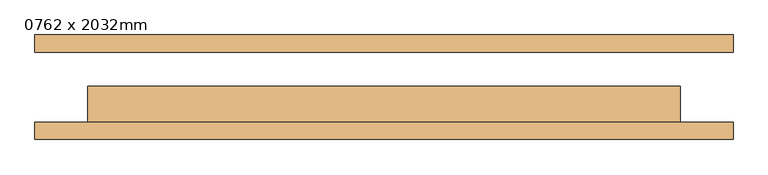
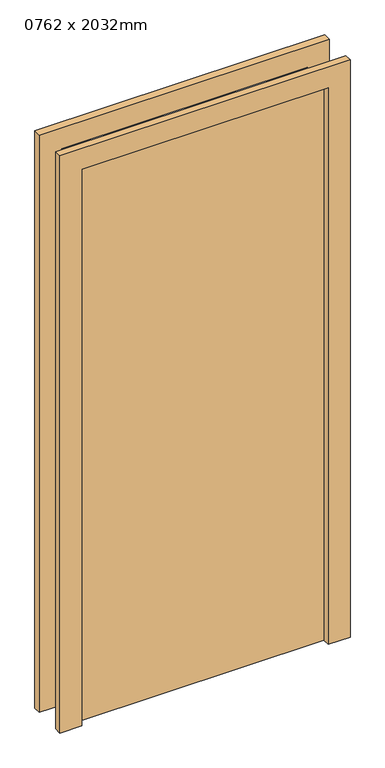
"""IFC4 building model written with IfcOpenShell, lengths in millimetres: door geometry, 0762 x 2032mm."""

import ifcopenshell
import ifcopenshell.guid

model = None  # the IFC model being written
_history = None  # IfcOwnerHistory: only IFC2X3 demands one
_inside = {}  # id of a spatial element -> (the spatial element, [elements in it])
_under = {}  # id of a project, library or spatial element -> (it, [spatial elements below it])
_declared = {}  # id of a project -> (the project, [libraries it declares])
_typed = {}  # id of a type object -> (the type object, [elements of that type])
_made_of = {}  # id of a material, layer set ... -> (it, [elements and type objects made of it])


def new_model(schema):
    """Start an empty IFC model of exactly this schema.

    Asked for "IFC4X3", IfcOpenShell would pick the latest addendum, in which some entities
    have other attributes; the version numbers below select the first issue.
    IFC2X3 requires an IfcOwnerHistory on every rooted entity: one is made here for all.
    """
    global model, _history
    if schema == "IFC4X3":
        model = ifcopenshell.file(schema_version=(4, 3, 0, 0))
    else:
        model = ifcopenshell.file(schema=schema)
    _inside.clear()
    _under.clear()
    _declared.clear()
    _typed.clear()
    _made_of.clear()
    _history = None
    if model.schema == "IFC2X3":
        org = make("IfcOrganization", Name="unknown")
        user = make(
            "IfcPersonAndOrganization",
            ThePerson=make("IfcPerson", FamilyName="unknown"),
            TheOrganization=org,
        )
        app = make(
            "IfcApplication",
            ApplicationDeveloper=org,
            Version="unknown",
            ApplicationFullName="unknown",
            ApplicationIdentifier="unknown",
        )
        _history = make(
            "IfcOwnerHistory",
            OwningUser=user,
            OwningApplication=app,
            ChangeAction="ADDED",
            CreationDate=0,
        )
    return model


def make(cls, **values):
    """One entity of the class cls with the attributes given. An attribute that is None is left unset."""
    return model.create_entity(
        cls, **{name: value for name, value in values.items() if value is not None}
    )


def rooted(cls, **values):
    """An entity with a GlobalId (a new one), such as an element, a storey or a relation."""
    return make(cls, GlobalId=ifcopenshell.guid.new(), OwnerHistory=_history, **values)


def si_unit(unit_type, name, prefix=None):
    """IfcSIUnit, for example si_unit("LENGTHUNIT", "METRE", prefix="MILLI")."""
    return make("IfcSIUnit", UnitType=unit_type, Prefix=prefix, Name=name)


def assignment(units):
    """IfcUnitAssignment: the units of a project."""
    return None if units is None else make("IfcUnitAssignment", Units=units)


def point(xyz):
    """IfcCartesianPoint."""
    return None if xyz is None else make("IfcCartesianPoint", Coordinates=xyz)


def direction(xyz):
    """IfcDirection."""
    return None if xyz is None else make("IfcDirection", DirectionRatios=xyz)


def frame(location, z_axis=None, x_axis=None):
    """IfcAxis2Placement3D, a coordinate frame: its origin and axes. An axis left out is left unset."""
    return make(
        "IfcAxis2Placement3D",
        Location=point(location),
        Axis=direction(z_axis),
        RefDirection=direction(x_axis),
    )


def origin():
    """The frame at (0, 0, 0) with its axes left unset."""
    return frame((0.0, 0.0, 0.0))


def origin_with_axes():
    """The frame at (0, 0, 0) with the z axis (0, 0, 1) and the x axis (1, 0, 0) written out."""
    return frame((0.0, 0.0, 0.0), z_axis=(0.0, 0.0, 1.0), x_axis=(1.0, 0.0, 0.0))


def place(relative_to, where):
    """IfcLocalPlacement: puts the frame where relative to a parent placement (None: the world)."""
    return make(
        "IfcLocalPlacement", PlacementRelTo=relative_to, RelativePlacement=where
    )


def context(
    kind, dimensions, precision=None, world=None, true_north=None, identifier=None
):
    """IfcGeometricRepresentationContext, for example the 3D "Model" context."""
    return make(
        "IfcGeometricRepresentationContext",
        ContextIdentifier=identifier,
        ContextType=kind,
        CoordinateSpaceDimension=dimensions,
        Precision=precision,
        WorldCoordinateSystem=world,
        TrueNorth=true_north,
    )


def project(units=None, contexts=None):
    """IfcProject with its units and contexts."""
    return rooted(
        "IfcProject",
        Name="project",
        RepresentationContexts=contexts,
        UnitsInContext=assignment(units),
    )


def spatial(cls, under=None, at=None, **own):
    """A site, building, storey or space (cls), placed at a placement, below another one or the project."""
    s = rooted(cls, ObjectPlacement=at, **own)
    if under is not None:
        _under.setdefault(under.id(), (under, []))[1].append(s)
    return s


def polyline(points):
    """IfcPolyline through the points."""
    return make("IfcPolyline", Points=[point(p) for p in points])


def outline(outer, holes=None, kind="AREA"):
    """IfcArbitraryClosedProfileDef: a profile drawn as a closed curve; with holes, ...WithVoids."""
    if holes is None:
        return make("IfcArbitraryClosedProfileDef", ProfileType=kind, OuterCurve=outer)
    return make(
        "IfcArbitraryProfileDefWithVoids",
        ProfileType=kind,
        OuterCurve=outer,
        InnerCurves=holes,
    )


def extrude(swept, where, along, depth):
    """IfcExtrudedAreaSolid: the profile swept, set in the frame where, extruded along a direction by depth."""
    return make(
        "IfcExtrudedAreaSolid",
        SweptArea=swept,
        Position=where,
        ExtrudedDirection=direction(along),
        Depth=depth,
    )


def shape(context_of_items, identifier, shape_type, items):
    """IfcShapeRepresentation: the items that make up one representation, for example the "Body"."""
    return make(
        "IfcShapeRepresentation",
        ContextOfItems=context_of_items,
        RepresentationIdentifier=identifier,
        RepresentationType=shape_type,
        Items=items,
    )


def source(mapping_origin, context_of_items, identifier, shape_type, items):
    """IfcRepresentationMap: a shape defined once, which mapped items show again and again."""
    return make(
        "IfcRepresentationMap",
        MappingOrigin=mapping_origin,
        MappedRepresentation=shape(context_of_items, identifier, shape_type, items),
    )


def transform(
    local_origin,
    x_axis=None,
    y_axis=None,
    z_axis=None,
    scale=None,
    scale2=None,
    scale3=None,
    uniform=True,
):
    """IfcCartesianTransformationOperator3D, or its non-uniform kind. x_axis, y_axis, z_axis: its Axis1, 2, 3."""
    if uniform:
        return make(
            "IfcCartesianTransformationOperator3D",
            Axis1=direction(x_axis),
            Axis2=direction(y_axis),
            LocalOrigin=point(local_origin),
            Scale=scale,
            Axis3=direction(z_axis),
        )
    return make(
        "IfcCartesianTransformationOperator3DnonUniform",
        Axis1=direction(x_axis),
        Axis2=direction(y_axis),
        LocalOrigin=point(local_origin),
        Scale=scale,
        Axis3=direction(z_axis),
        Scale2=scale2,
        Scale3=scale3,
    )


def mapped(mapping_source, mapping_target):
    """IfcMappedItem: shows the shape of a source again, moved by a transform."""
    return make(
        "IfcMappedItem", MappingSource=mapping_source, MappingTarget=mapping_target
    )


def made_of(thing, what):
    """Note that an element or type object is made of a material, layer set ...; save() writes the relation."""
    if what is not None:
        _made_of.setdefault(what.id(), (what, []))[1].append(thing)
    return thing


def element(
    cls,
    number,
    at=None,
    inside=None,
    cuts=None,
    type_object=None,
    material=None,
    context=None,
    identifier="Body",
    shape_type=None,
    held_by="IfcProductDefinitionShape",
    body=None,
    shapes=None,
    **own,
):
    """One element of the class cls, such as IfcWall. Its Tag is "e" and its number.

    at: its placement. inside: the storey or other place that contains it. cuts: it is an
    opening in that element (IfcRelVoidsElement). A single representation is given by context,
    identifier, shape_type and body (its items); several are given by shapes. held_by: the class
    of the entity that holds the representations. save() writes the other relations.
    """
    e = rooted(cls, Tag="e%d" % number, ObjectPlacement=at, **own)
    if body is not None:
        shapes = [shape(context, identifier, shape_type, body)]
    if shapes is not None:
        e.Representation = make(held_by, Representations=shapes)
    if inside is not None:
        _inside.setdefault(inside.id(), (inside, []))[1].append(e)
    if cuts is not None:
        rooted(
            "IfcRelVoidsElement", RelatingBuildingElement=cuts, RelatedOpeningElement=e
        )
    if type_object is not None:
        _typed.setdefault(type_object.id(), (type_object, []))[1].append(e)
    return made_of(e, material)


def aggregate(whole, parts):
    """IfcRelAggregates: a whole, such as a stair, and the parts it consists of."""
    return rooted("IfcRelAggregates", RelatingObject=whole, RelatedObjects=parts)


def save(model, path):
    """Write the relations noted so far, then the file.

    IfcRelAggregates (storeys below a building ...), IfcRelContainedInSpatialStructure (elements
    in a storey), IfcRelDefinesByType, IfcRelAssociatesMaterial and IfcRelDeclares: one each for
    every whole, place, type object, material and project.
    """
    for whole, parts in _under.values():
        aggregate(whole, parts)
    for where, things in _inside.values():
        rooted(
            "IfcRelContainedInSpatialStructure",
            RelatedElements=things,
            RelatingStructure=where,
        )
    for kind, things in _typed.values():
        rooted("IfcRelDefinesByType", RelatedObjects=things, RelatingType=kind)
    for what, things in _made_of.values():
        rooted("IfcRelAssociatesMaterial", RelatedObjects=things, RelatingMaterial=what)
    for by, libraries in _declared.values():
        rooted("IfcRelDeclares", RelatingContext=by, RelatedDefinitions=libraries)
    model.write(path)


def door_0762_x_2032mm_a56fb54c(model_context):
    return source(origin(), model_context, "Body", "SweptSolid", [
        extrude(outline(polyline([(2108.0, -501.0), (0.0, -501.0), (0.0, -425.0), (2032.0, -425.0), (2032.0, 425.0), (0.0, 425.0), (0.0, 501.0), (2108.0, 501.0), (2108.0, -501.0)])), frame((0.0, -75.0, 0.0), z_axis=(0.0, 1.0, 0.0), x_axis=(0.0, 0.0, 1.0)), (0.0, 0.0, 1.0), 25.0),
        extrude(outline(polyline([(2108.0, 501.0), (2108.0, -501.0), (0.0, -501.0), (0.0, -425.0), (2032.0, -425.0), (2032.0, 425.0), (0.0, 425.0), (0.0, 501.0), (2108.0, 501.0)])), frame((0.0, 50.0, 0.0), z_axis=(0.0, 1.0, 0.0), x_axis=(0.0, 0.0, 1.0)), (0.0, 0.0, 1.0), 25.0),
        extrude(outline(polyline([(425.0, 1.0), (425.0, -50.0), (-425.0, -50.0), (-425.0, 1.0), (425.0, 1.0)])), origin_with_axes(), (0.0, 0.0, 1.0), 2032.0),
    ])


if __name__ == "__main__":
    model = new_model("IFC4")
    model_context = context("Model", 3, world=origin())
    ifc_project = project(units=[si_unit("LENGTHUNIT", "METRE", prefix="MILLI")], contexts=[model_context])
    site = spatial("IfcSite", under=ifc_project)
    building = spatial("IfcBuilding", under=site)
    placement = place(None, origin())
    door_0762_x_2032mm_shape = door_0762_x_2032mm_a56fb54c(model_context)
    element("IfcDoor", 1, ObjectType="0762 x 2032mm", at=placement, inside=building, context=model_context, shape_type="MappedRepresentation", body=[
        mapped(door_0762_x_2032mm_shape, transform((0.0, 0.0, 0.0), x_axis=(1.0, 0.0, 0.0), y_axis=(0.0, 1.0, 0.0), z_axis=(0.0, 0.0, 1.0))),
    ])
    save(model, "model.ifc")
